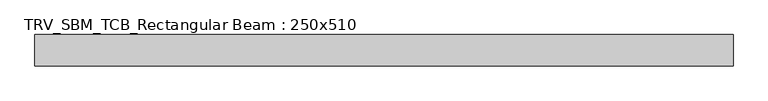
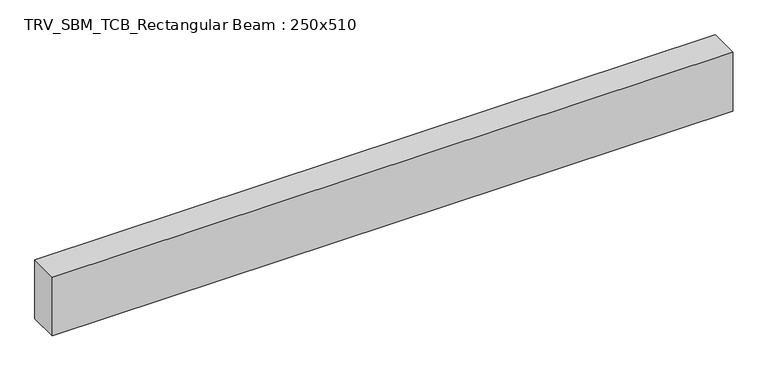
"""IFC4 building model written with IfcOpenShell, lengths in millimetres: beam geometry, TRV_SBM_TCB_Rectangular Beam : 250x510."""

from ifc_helpers import new_model, si_unit, frame, origin, place, context, project, spatial, polyline, outline, extrude, source, transform, mapped, element, save


def trv_sbm_tcb_rectangular_beam_250x510_e9e4b08b(model_context):
    return source(origin(), model_context, "Body", "SweptSolid", [
        extrude(outline(polyline([(2795.7, 125.0), (2795.7, -125.0), (-2795.7, -125.0), (-2795.7, 125.0), (2795.7, 125.0)])), frame((0.0, 0.0, -255.0), z_axis=(0.0, 0.0, 1.0), x_axis=(1.0, 0.0, 0.0)), (0.0, 0.0, 1.0), 510.0),
    ])


if __name__ == "__main__":
    model = new_model("IFC4")
    model_context = context("Model", 3, world=origin())
    ifc_project = project(units=[si_unit("LENGTHUNIT", "METRE", prefix="MILLI")], contexts=[model_context])
    site = spatial("IfcSite", under=ifc_project)
    building = spatial("IfcBuilding", under=site)
    placement = place(None, origin())
    trv_sbm_tcb_rectangular_beam_250x510_shape = trv_sbm_tcb_rectangular_beam_250x510_e9e4b08b(model_context)
    element("IfcBeam", 1, ObjectType="TRV_SBM_TCB_Rectangular Beam : 250x510", at=placement, inside=building, context=model_context, shape_type="MappedRepresentation", body=[
        mapped(trv_sbm_tcb_rectangular_beam_250x510_shape, transform((0.0, 0.0, 0.0), x_axis=(1.0, 0.0, 0.0), y_axis=(0.0, 1.0, 0.0), z_axis=(0.0, 0.0, 1.0))),
    ])
    save(model, "model.ifc")
